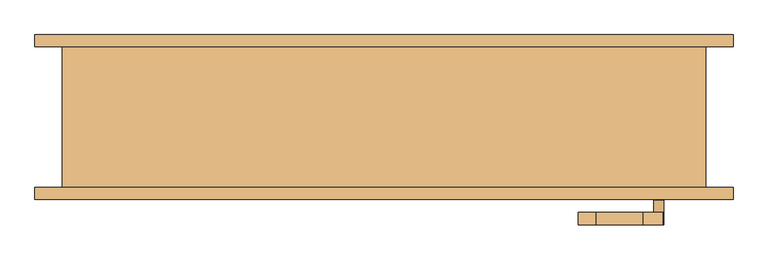
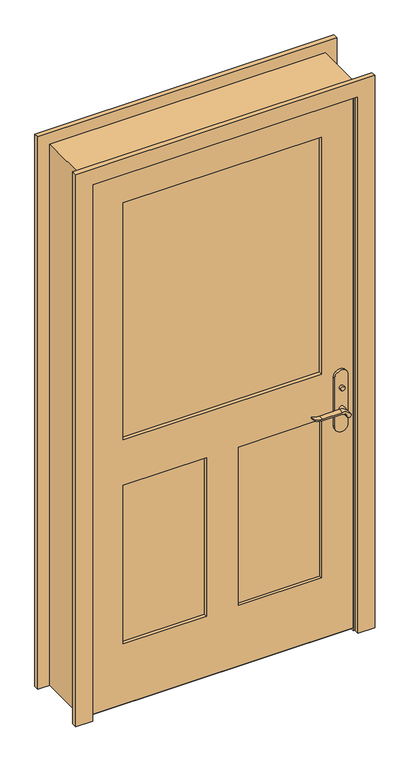
"""IFC4 building model written with IfcOpenShell, lengths in millimetres: door geometry."""

from ifc_helpers import new_model, si_unit, point, frame, frame_2d, origin, place, context, project, spatial, polyline, circle_curve, trimmed, segment, composite_curve, outline, extrude, faceted_brep, source, transform, mapped, element, save


def door_b7907780(model_context):
    return source(origin(), model_context, "Body", "SolidModel", [
        extrude(outline(polyline([(-38.1, 12.7), (-12.7, 0.0), (-98.425, 0.0), (-73.025, 12.7), (-38.1, 12.7)])), frame((-495.3, 0.0, 0.0), z_axis=(1.0, 0.0, 0.0), x_axis=(0.0, 1.0, 0.0)), (0.0, 0.0, 1.0), 990.6),
        extrude(outline(polyline([(449.5, -56.2), (449.5, -66.2), (439.5, -66.2), (439.5, -56.2), (449.5, -56.2)])), frame((0.0, 0.0, 981.9), z_axis=(0.0, 0.0, 1.0), x_axis=(1.0, 0.0, 0.0)), (0.0, 0.0, 1.0), 30.0),
        extrude(outline(composite_curve([segment(trimmed(circle_curve(frame_2d((996.9, 444.5)), 8.0), [point((996.9, 436.5))], [point((996.9, 452.5))], False, "CARTESIAN"), True, "CONTINUOUS"), segment(trimmed(circle_curve(frame_2d((996.9, 444.5)), 8.0), [point((996.9, 452.5))], [point((996.9, 436.5))], False, "CARTESIAN"), True, "CONTINUOUS")], self_intersect=False)), frame((0.0, -131.125, 0.0), z_axis=(0.0, 1.0, 0.0), x_axis=(0.0, 0.0, 1.0)), (0.0, 0.0, 1.0), 10.0),
        extrude(outline(composite_curve([segment(trimmed(circle_curve(frame_2d((897.1555521, 420.8324871)), 37.2832219), [point((919.0523287, 451.0081363))], [point((934.4, 419.1325667))], False, "CARTESIAN"), True, "CONTINUOUS"), segment(polyline([(934.4, 419.1325667), (934.4, 342.8564091)]), True, "CONTINUOUS"), segment(trimmed(circle_curve(frame_2d((1017.6850638, 342.9227909)), 83.2850902), [point((934.4, 342.8564091))], [point((939.4, 314.5))], True, "CARTESIAN"), True, "CONTINUOUS"), segment(polyline([(939.4, 314.5), (936.6135558, 314.5)]), True, "CONTINUOUS"), segment(trimmed(circle_curve(frame_2d((986.6709207, 346.4396612)), 59.3791355), [point((936.6135558, 314.5))], [point((927.4, 342.8564091))], False, "CARTESIAN"), True, "CONTINUOUS"), segment(polyline([(927.4, 342.8564091), (927.4, 419.1138099)]), True, "CONTINUOUS"), segment(trimmed(circle_curve(frame_2d((909.2738613, 419.1138099)), 18.1261387), [point((927.4, 419.1138099))], [point((914.4, 436.5))], True, "CARTESIAN"), True, "CONTINUOUS"), segment(trimmed(circle_curve(frame_2d((914.4, 444.5)), 8.0), [point((914.4, 436.5))], [point((919.0523287, 451.0081363))], False, "CARTESIAN"), True, "CONTINUOUS")], self_intersect=False)), frame((0.0, -36.2, 0.0), z_axis=(0.0, 1.0, 0.0), x_axis=(0.0, 0.0, 1.0)), (0.0, 0.0, 1.0), 20.0),
        extrude(outline(composite_curve([segment(trimmed(circle_curve(frame_2d((914.4, 444.5)), 8.0), [point((914.3999903, 436.5))], [point((919.0523287, 451.0081363))], False, "CARTESIAN"), True, "CONTINUOUS"), segment(trimmed(circle_curve(frame_2d((897.1555521, 420.8324871)), 37.2832219), [point((919.0523287, 451.0081363))], [point((934.4, 419.1325667))], False, "CARTESIAN"), True, "CONTINUOUS"), segment(polyline([(934.4, 419.1325667), (934.4, 342.8564091)]), True, "CONTINUOUS"), segment(trimmed(circle_curve(frame_2d((1017.6850638, 342.9227909)), 83.2850902), [point((934.4, 342.8564091))], [point((939.4, 314.5))], True, "CARTESIAN"), True, "CONTINUOUS"), segment(polyline([(939.4, 314.5), (936.6135558, 314.5)]), True, "CONTINUOUS"), segment(trimmed(circle_curve(frame_2d((986.6709207, 346.4396612)), 59.3791355), [point((936.6135558, 314.5))], [point((927.4, 342.8564091))], False, "CARTESIAN"), True, "CONTINUOUS"), segment(polyline([(927.4, 342.8564091), (927.4, 419.1138122)]), True, "CONTINUOUS"), segment(trimmed(circle_curve(frame_2d((909.2738682, 419.1138122)), 18.1261318), [point((927.4, 419.1138122))], [point((914.3999903, 436.5))], True, "CARTESIAN"), True, "CONTINUOUS")], self_intersect=False)), frame((0.0, -171.125, 0.0), z_axis=(0.0, 1.0, 0.0), x_axis=(0.0, 0.0, 1.0)), (0.0, 0.0, 1.0), 20.0),
        extrude(outline(composite_curve([segment(trimmed(circle_curve(frame_2d((914.4, 444.5)), 8.0), [point((914.4, 436.5))], [point((914.4, 452.5))], False, "CARTESIAN"), True, "CONTINUOUS"), segment(trimmed(circle_curve(frame_2d((914.4, 444.5)), 8.0), [point((914.4, 452.5))], [point((914.4, 436.5))], False, "CARTESIAN"), True, "CONTINUOUS")], self_intersect=False)), frame((0.0, -66.2, 0.0), z_axis=(0.0, 1.0, 0.0), x_axis=(0.0, 0.0, 1.0)), (0.0, 0.0, 1.0), 30.0),
        extrude(outline(composite_curve([segment(trimmed(circle_curve(frame_2d((914.4, 444.5)), 8.0), [point((914.4, 436.5))], [point((914.4, 452.5))], False, "CARTESIAN"), True, "CONTINUOUS"), segment(trimmed(circle_curve(frame_2d((914.4, 444.5)), 8.0), [point((914.4, 452.5))], [point((914.4, 436.5))], False, "CARTESIAN"), True, "CONTINUOUS")], self_intersect=False)), frame((0.0, -151.125, 0.0), z_axis=(0.0, 1.0, 0.0), x_axis=(0.0, 0.0, 1.0)), (0.0, 0.0, 1.0), 30.0),
        extrude(outline(composite_curve([segment(polyline([(844.4, 469.5), (1039.4, 469.5)]), True, "CONTINUOUS"), segment(trimmed(circle_curve(frame_2d((1039.4, 444.5)), 25.0), [point((1039.4, 469.5))], [point((1039.4, 419.5))], False, "CARTESIAN"), True, "CONTINUOUS"), segment(polyline([(1039.4, 419.5), (844.4, 419.5)]), True, "CONTINUOUS"), segment(trimmed(circle_curve(frame_2d((844.4, 444.5)), 25.0), [point((844.4, 419.5))], [point((844.4, 469.5))], False, "CARTESIAN"), True, "CONTINUOUS")], self_intersect=False)), frame((0.0, -76.2, 0.0), z_axis=(0.0, 1.0, 0.0), x_axis=(0.0, 0.0, 1.0)), (0.0, 0.0, 1.0), 10.0),
        extrude(outline(composite_curve([segment(polyline([(844.4, 469.5), (1039.4, 469.5)]), True, "CONTINUOUS"), segment(trimmed(circle_curve(frame_2d((1039.4, 444.5)), 25.0), [point((1039.4, 469.5))], [point((1039.4, 419.5))], False, "CARTESIAN"), True, "CONTINUOUS"), segment(polyline([(1039.4, 419.5), (844.4, 419.5)]), True, "CONTINUOUS"), segment(trimmed(circle_curve(frame_2d((844.4, 444.5)), 25.0), [point((844.4, 419.5))], [point((844.4, 469.5))], False, "CARTESIAN"), True, "CONTINUOUS")], self_intersect=False)), frame((0.0, -121.125, 0.0), z_axis=(0.0, 1.0, 0.0), x_axis=(0.0, 0.0, 1.0)), (0.0, 0.0, 1.0), 10.0),
        faceted_brep([(520.7, -111.125, 0.0), (495.3, -111.125, 0.0), (495.3, -76.2, 0.0), (482.6, -76.2, 0.0), (482.6, -41.275, 0.0), (495.3, -41.275, 0.0), (495.3, 117.475, 0.0), (520.7, 117.475, 0.0), (520.7, 117.475, 2159.0), (520.7, -111.125, 2159.0), (495.3, 117.475, 2133.6), (-495.3, 117.475, 2133.6), (-495.3, 117.475, 0.0), (-520.7, 117.475, 0.0), (-520.7, 117.475, 2159.0), (495.3, -41.275, 2133.6), (482.6, -41.275, 2120.9), (-482.6, -41.275, 2120.9), (-482.6, -41.275, 0.0), (-495.3, -41.275, 0.0), (-495.3, -41.275, 2133.6), (482.6, -76.2, 2120.9), (495.3, -76.2, 2133.6), (-495.3, -76.2, 2133.6), (-495.3, -76.2, 0.0), (-482.6, -76.2, 0.0), (-482.6, -76.2, 2120.9), (495.3, -111.125, 2133.6), (-520.7, -111.125, 2159.0), (-520.7, -111.125, 0.0), (-495.3, -111.125, 0.0), (-495.3, -111.125, 2133.6)], [[[0, 1, 2, 3, 4, 5, 6, 7]], [[7, 8, 9, 0]], [[6, 10, 11, 12, 13, 14, 8, 7]], [[5, 15, 10, 6]], [[4, 16, 17, 18, 19, 20, 15, 5]], [[3, 21, 16, 4]], [[2, 22, 23, 24, 25, 26, 21, 3]], [[1, 27, 22, 2]], [[0, 9, 28, 29, 30, 31, 27, 1]], [[8, 14, 28, 9]], [[15, 20, 11, 10]], [[21, 26, 17, 16]], [[27, 31, 23, 22]], [[29, 13, 12, 19, 18, 25, 24, 30]], [[14, 13, 29, 28]], [[20, 19, 12, 11]], [[26, 25, 18, 17]], [[31, 30, 24, 23]]]),
        extrude(outline(polyline([(2133.6, -495.3), (12.7, -495.3), (12.7, 495.3), (2133.6, 495.3), (2133.6, -495.3)]), holes=[polyline([(1066.8, -374.65), (2012.95, -374.65), (2012.95, 374.65), (1066.8, 374.65), (1066.8, -374.65)]), polyline([(885.825, -60.325), (254.0, -60.325), (254.0, -374.65), (885.825, -374.65), (885.825, -60.325)]), polyline([(885.825, 374.65), (254.0, 374.65), (254.0, 60.325), (885.825, 60.325), (885.825, 374.65)])]), frame((0.0, -111.125, 0.0), z_axis=(0.0, 1.0, 0.0), x_axis=(0.0, 0.0, 1.0)), (0.0, 0.0, 1.0), 34.925),
        extrude(outline(polyline([(374.65, -90.17), (374.65, -97.155), (-374.65, -97.155), (-374.65, -90.17), (374.65, -90.17)])), frame((0.0, 0.0, 1066.8), z_axis=(0.0, 0.0, 1.0), x_axis=(1.0, 0.0, 0.0)), (0.0, 0.0, 1.0), 946.15),
        extrude(outline(polyline([(-60.325, -87.8416667), (-60.325, -99.4833333), (-374.65, -99.4833333), (-374.65, -87.8416667), (-60.325, -87.8416667)])), frame((0.0, 0.0, 254.0), z_axis=(0.0, 0.0, 1.0), x_axis=(1.0, 0.0, 0.0)), (0.0, 0.0, 1.0), 631.825),
        extrude(outline(polyline([(374.65, -87.8416667), (374.65, -99.4833333), (60.325, -99.4833333), (60.325, -87.8416667), (374.65, -87.8416667)])), frame((0.0, 0.0, 254.0), z_axis=(0.0, 0.0, 1.0), x_axis=(1.0, 0.0, 0.0)), (0.0, 0.0, 1.0), 631.825),
        extrude(outline(polyline([(0.0, -501.65), (2139.95, -501.65), (2139.95, 501.65), (0.0, 501.65), (0.0, 565.15), (2203.45, 565.15), (2203.45, -565.15), (0.0, -565.15), (0.0, -501.65)])), frame((0.0, -130.175, 0.0), z_axis=(0.0, 1.0, 0.0), x_axis=(0.0, 0.0, 1.0)), (0.0, 0.0, 1.0), 19.05),
        extrude(outline(polyline([(0.0, -501.65), (2139.95, -501.65), (2139.95, 501.65), (0.0, 501.65), (0.0, 565.15), (2203.45, 565.15), (2203.45, -565.15), (0.0, -565.15), (0.0, -501.65)])), frame((0.0, 117.475, 0.0), z_axis=(0.0, 1.0, 0.0), x_axis=(0.0, 0.0, 1.0)), (0.0, 0.0, 1.0), 19.05),
    ])


if __name__ == "__main__":
    model = new_model("IFC4")
    model_context = context("Model", 3, world=origin())
    ifc_project = project(units=[si_unit("LENGTHUNIT", "METRE", prefix="MILLI")], contexts=[model_context])
    site = spatial("IfcSite", under=ifc_project)
    building = spatial("IfcBuilding", under=site)
    placement = place(None, origin())
    door_shape = door_b7907780(model_context)
    element("IfcDoor", 1, at=placement, inside=building, context=model_context, shape_type="MappedRepresentation", body=[
        mapped(door_shape, transform((0.0, 0.0, 0.0), x_axis=(1.0, 0.0, 0.0), y_axis=(0.0, 1.0, 0.0), z_axis=(0.0, 0.0, 1.0))),
    ])
    save(model, "model.ifc")
